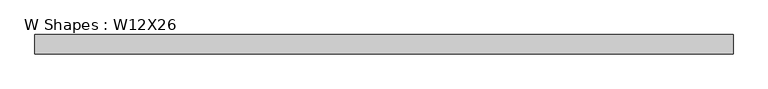
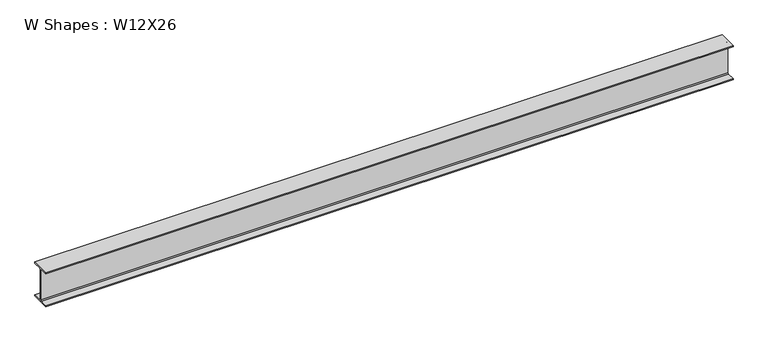
"""IFC4 building model written with IfcOpenShell, lengths in millimetres: beam geometry, W Shapes : W12X26."""

from ifc_helpers import new_model, si_unit, point, frame, frame_2d, origin, place, context, project, spatial, polyline, circle_curve, trimmed, segment, composite_curve, outline, extrude, source, transform, mapped, element, save


def w_shapes_w12x26_f87eb208(model_context):
    return source(origin(), model_context, "Body", "SweptSolid", [
        extrude(outline(composite_curve([segment(polyline([(82.423, -145.288), (82.423, -154.94), (-82.423, -154.94), (-82.423, -145.288), (-10.541, -145.288)]), True, "CONTINUOUS"), segment(trimmed(circle_curve(frame_2d((-10.541, -137.668)), 7.62), [point((-10.541, -145.288))], [point((-2.921, -137.668))], True, "CARTESIAN"), True, "CONTINUOUS"), segment(polyline([(-2.921, -137.668), (-2.921, 137.668)]), True, "CONTINUOUS"), segment(trimmed(circle_curve(frame_2d((-10.541, 137.668)), 7.62), [point((-2.921, 137.668))], [point((-10.541, 145.288))], True, "CARTESIAN"), True, "CONTINUOUS"), segment(polyline([(-10.541, 145.288), (-82.423, 145.288), (-82.423, 154.94), (82.423, 154.94), (82.423, 145.288), (10.541, 145.288)]), True, "CONTINUOUS"), segment(trimmed(circle_curve(frame_2d((10.541, 137.668)), 7.62), [point((10.541, 145.288))], [point((2.921, 137.668))], True, "CARTESIAN"), True, "CONTINUOUS"), segment(polyline([(2.921, 137.668), (2.921, -137.668)]), True, "CONTINUOUS"), segment(trimmed(circle_curve(frame_2d((10.541, -137.668)), 7.62), [point((2.921, -137.668))], [point((10.541, -145.288))], True, "CARTESIAN"), True, "CONTINUOUS"), segment(polyline([(10.541, -145.288), (82.423, -145.288)]), True, "CONTINUOUS")], self_intersect=False)), frame((-2959.1, 0.0, 0.0), z_axis=(1.0, 0.0, 0.0), x_axis=(0.0, 1.0, 0.0)), (0.0, 0.0, 1.0), 5918.2),
    ])


if __name__ == "__main__":
    model = new_model("IFC4")
    model_context = context("Model", 3, world=origin())
    ifc_project = project(units=[si_unit("LENGTHUNIT", "METRE", prefix="MILLI")], contexts=[model_context])
    site = spatial("IfcSite", under=ifc_project)
    building = spatial("IfcBuilding", under=site)
    placement = place(None, origin())
    w_shapes_w12x26_shape = w_shapes_w12x26_f87eb208(model_context)
    element("IfcBeam", 1, ObjectType="W Shapes : W12X26", at=placement, inside=building, context=model_context, shape_type="MappedRepresentation", body=[
        mapped(w_shapes_w12x26_shape, transform((0.0, 0.0, 0.0), x_axis=(1.0, 0.0, 0.0), y_axis=(0.0, 1.0, 0.0), z_axis=(0.0, 0.0, 1.0))),
    ])
    save(model, "model.ifc")
